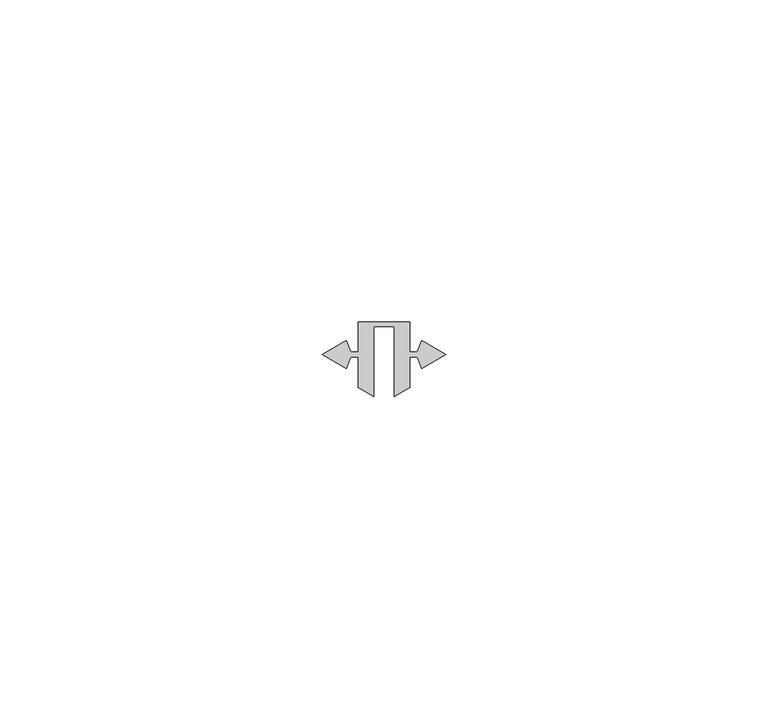
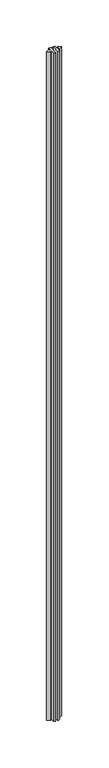
"""IFC4 building model written with IfcOpenShell, lengths in millimetres: proxy geometry."""

import ifcopenshell
import ifcopenshell.guid

model = None  # the IFC model being written
_history = None  # IfcOwnerHistory: only IFC2X3 demands one
_inside = {}  # id of a spatial element -> (the spatial element, [elements in it])
_under = {}  # id of a project, library or spatial element -> (it, [spatial elements below it])
_declared = {}  # id of a project -> (the project, [libraries it declares])
_typed = {}  # id of a type object -> (the type object, [elements of that type])
_made_of = {}  # id of a material, layer set ... -> (it, [elements and type objects made of it])


def new_model(schema):
    """Start an empty IFC model of exactly this schema.

    Asked for "IFC4X3", IfcOpenShell would pick the latest addendum, in which some entities
    have other attributes; the version numbers below select the first issue.
    IFC2X3 requires an IfcOwnerHistory on every rooted entity: one is made here for all.
    """
    global model, _history
    if schema == "IFC4X3":
        model = ifcopenshell.file(schema_version=(4, 3, 0, 0))
    else:
        model = ifcopenshell.file(schema=schema)
    _inside.clear()
    _under.clear()
    _declared.clear()
    _typed.clear()
    _made_of.clear()
    _history = None
    if model.schema == "IFC2X3":
        org = make("IfcOrganization", Name="unknown")
        user = make(
            "IfcPersonAndOrganization",
            ThePerson=make("IfcPerson", FamilyName="unknown"),
            TheOrganization=org,
        )
        app = make(
            "IfcApplication",
            ApplicationDeveloper=org,
            Version="unknown",
            ApplicationFullName="unknown",
            ApplicationIdentifier="unknown",
        )
        _history = make(
            "IfcOwnerHistory",
            OwningUser=user,
            OwningApplication=app,
            ChangeAction="ADDED",
            CreationDate=0,
        )
    return model


def make(cls, **values):
    """One entity of the class cls with the attributes given. An attribute that is None is left unset."""
    return model.create_entity(
        cls, **{name: value for name, value in values.items() if value is not None}
    )


def rooted(cls, **values):
    """An entity with a GlobalId (a new one), such as an element, a storey or a relation."""
    return make(cls, GlobalId=ifcopenshell.guid.new(), OwnerHistory=_history, **values)


def si_unit(unit_type, name, prefix=None):
    """IfcSIUnit, for example si_unit("LENGTHUNIT", "METRE", prefix="MILLI")."""
    return make("IfcSIUnit", UnitType=unit_type, Prefix=prefix, Name=name)


def assignment(units):
    """IfcUnitAssignment: the units of a project."""
    return None if units is None else make("IfcUnitAssignment", Units=units)


def point(xyz):
    """IfcCartesianPoint."""
    return None if xyz is None else make("IfcCartesianPoint", Coordinates=xyz)


def direction(xyz):
    """IfcDirection."""
    return None if xyz is None else make("IfcDirection", DirectionRatios=xyz)


def frame(location, z_axis=None, x_axis=None):
    """IfcAxis2Placement3D, a coordinate frame: its origin and axes. An axis left out is left unset."""
    return make(
        "IfcAxis2Placement3D",
        Location=point(location),
        Axis=direction(z_axis),
        RefDirection=direction(x_axis),
    )


def origin():
    """The frame at (0, 0, 0) with its axes left unset."""
    return frame((0.0, 0.0, 0.0))


def place(relative_to, where):
    """IfcLocalPlacement: puts the frame where relative to a parent placement (None: the world)."""
    return make(
        "IfcLocalPlacement", PlacementRelTo=relative_to, RelativePlacement=where
    )


def context(
    kind, dimensions, precision=None, world=None, true_north=None, identifier=None
):
    """IfcGeometricRepresentationContext, for example the 3D "Model" context."""
    return make(
        "IfcGeometricRepresentationContext",
        ContextIdentifier=identifier,
        ContextType=kind,
        CoordinateSpaceDimension=dimensions,
        Precision=precision,
        WorldCoordinateSystem=world,
        TrueNorth=true_north,
    )


def project(units=None, contexts=None):
    """IfcProject with its units and contexts."""
    return rooted(
        "IfcProject",
        Name="project",
        RepresentationContexts=contexts,
        UnitsInContext=assignment(units),
    )


def spatial(cls, under=None, at=None, **own):
    """A site, building, storey or space (cls), placed at a placement, below another one or the project."""
    s = rooted(cls, ObjectPlacement=at, **own)
    if under is not None:
        _under.setdefault(under.id(), (under, []))[1].append(s)
    return s


def polyline(points):
    """IfcPolyline through the points."""
    return make("IfcPolyline", Points=[point(p) for p in points])


def outline(outer, holes=None, kind="AREA"):
    """IfcArbitraryClosedProfileDef: a profile drawn as a closed curve; with holes, ...WithVoids."""
    if holes is None:
        return make("IfcArbitraryClosedProfileDef", ProfileType=kind, OuterCurve=outer)
    return make(
        "IfcArbitraryProfileDefWithVoids",
        ProfileType=kind,
        OuterCurve=outer,
        InnerCurves=holes,
    )


def extrude(swept, where, along, depth):
    """IfcExtrudedAreaSolid: the profile swept, set in the frame where, extruded along a direction by depth."""
    return make(
        "IfcExtrudedAreaSolid",
        SweptArea=swept,
        Position=where,
        ExtrudedDirection=direction(along),
        Depth=depth,
    )


def shape(context_of_items, identifier, shape_type, items):
    """IfcShapeRepresentation: the items that make up one representation, for example the "Body"."""
    return make(
        "IfcShapeRepresentation",
        ContextOfItems=context_of_items,
        RepresentationIdentifier=identifier,
        RepresentationType=shape_type,
        Items=items,
    )


def source(mapping_origin, context_of_items, identifier, shape_type, items):
    """IfcRepresentationMap: a shape defined once, which mapped items show again and again."""
    return make(
        "IfcRepresentationMap",
        MappingOrigin=mapping_origin,
        MappedRepresentation=shape(context_of_items, identifier, shape_type, items),
    )


def transform(
    local_origin,
    x_axis=None,
    y_axis=None,
    z_axis=None,
    scale=None,
    scale2=None,
    scale3=None,
    uniform=True,
):
    """IfcCartesianTransformationOperator3D, or its non-uniform kind. x_axis, y_axis, z_axis: its Axis1, 2, 3."""
    if uniform:
        return make(
            "IfcCartesianTransformationOperator3D",
            Axis1=direction(x_axis),
            Axis2=direction(y_axis),
            LocalOrigin=point(local_origin),
            Scale=scale,
            Axis3=direction(z_axis),
        )
    return make(
        "IfcCartesianTransformationOperator3DnonUniform",
        Axis1=direction(x_axis),
        Axis2=direction(y_axis),
        LocalOrigin=point(local_origin),
        Scale=scale,
        Axis3=direction(z_axis),
        Scale2=scale2,
        Scale3=scale3,
    )


def mapped(mapping_source, mapping_target):
    """IfcMappedItem: shows the shape of a source again, moved by a transform."""
    return make(
        "IfcMappedItem", MappingSource=mapping_source, MappingTarget=mapping_target
    )


def made_of(thing, what):
    """Note that an element or type object is made of a material, layer set ...; save() writes the relation."""
    if what is not None:
        _made_of.setdefault(what.id(), (what, []))[1].append(thing)
    return thing


def element(
    cls,
    number,
    at=None,
    inside=None,
    cuts=None,
    type_object=None,
    material=None,
    context=None,
    identifier="Body",
    shape_type=None,
    held_by="IfcProductDefinitionShape",
    body=None,
    shapes=None,
    **own,
):
    """One element of the class cls, such as IfcWall. Its Tag is "e" and its number.

    at: its placement. inside: the storey or other place that contains it. cuts: it is an
    opening in that element (IfcRelVoidsElement). A single representation is given by context,
    identifier, shape_type and body (its items); several are given by shapes. held_by: the class
    of the entity that holds the representations. save() writes the other relations.
    """
    e = rooted(cls, Tag="e%d" % number, ObjectPlacement=at, **own)
    if body is not None:
        shapes = [shape(context, identifier, shape_type, body)]
    if shapes is not None:
        e.Representation = make(held_by, Representations=shapes)
    if inside is not None:
        _inside.setdefault(inside.id(), (inside, []))[1].append(e)
    if cuts is not None:
        rooted(
            "IfcRelVoidsElement", RelatingBuildingElement=cuts, RelatedOpeningElement=e
        )
    if type_object is not None:
        _typed.setdefault(type_object.id(), (type_object, []))[1].append(e)
    return made_of(e, material)


def aggregate(whole, parts):
    """IfcRelAggregates: a whole, such as a stair, and the parts it consists of."""
    return rooted("IfcRelAggregates", RelatingObject=whole, RelatedObjects=parts)


def save(model, path):
    """Write the relations noted so far, then the file.

    IfcRelAggregates (storeys below a building ...), IfcRelContainedInSpatialStructure (elements
    in a storey), IfcRelDefinesByType, IfcRelAssociatesMaterial and IfcRelDeclares: one each for
    every whole, place, type object, material and project.
    """
    for whole, parts in _under.values():
        aggregate(whole, parts)
    for where, things in _inside.values():
        rooted(
            "IfcRelContainedInSpatialStructure",
            RelatedElements=things,
            RelatingStructure=where,
        )
    for kind, things in _typed.values():
        rooted("IfcRelDefinesByType", RelatedObjects=things, RelatingType=kind)
    for what, things in _made_of.values():
        rooted("IfcRelAssociatesMaterial", RelatedObjects=things, RelatingMaterial=what)
    for by, libraries in _declared.values():
        rooted("IfcRelDeclares", RelatingContext=by, RelatedDefinitions=libraries)
    model.write(path)


def generic_models_e98399c7(model_context):
    return source(origin(), model_context, "Body", "SweptSolid", [
        extrude(outline(polyline([(37067.9356084, -24154.9347357), (37067.9356084, -24165.8308849), (37065.5607084, -24164.4597357), (37065.5607084, -24159.7090403), (37064.4026703, -24159.7090403), (37063.663773, -24161.4581283), (37059.9468555, -24159.3121649), (37063.6637728, -24157.1662017), (37064.4026703, -24158.9152903), (37065.5607084, -24158.9152903), (37065.5607084, -24154.2743357), (37073.4855084, -24154.2743357), (37073.4855084, -24158.9152903), (37074.6435466, -24158.9152903), (37075.3824443, -24157.1662011), (37079.0993626, -24159.3121649), (37075.3824441, -24161.4581289), (37074.6435466, -24159.7090403), (37073.4855084, -24159.7090403), (37073.4855084, -24164.4597357), (37071.1106084, -24165.8308849), (37071.1106084, -24154.9347357), (37067.9356084, -24154.9347357)])), frame((0.0, 0.0, 1524.0), z_axis=(0.0, 0.0, 1.0), x_axis=(1.0, 0.0, 0.0)), (0.0, 0.0, 1.0), 914.4),
    ])


if __name__ == "__main__":
    model = new_model("IFC4")
    model_context = context("Model", 3, world=origin())
    ifc_project = project(units=[si_unit("LENGTHUNIT", "METRE", prefix="MILLI")], contexts=[model_context])
    site = spatial("IfcSite", under=ifc_project)
    building = spatial("IfcBuilding", under=site)
    placement = place(None, origin())
    generic_models_shape = generic_models_e98399c7(model_context)
    element("IfcBuildingElementProxy", 1, Name="Generic Models", at=placement, inside=building, context=model_context, shape_type="MappedRepresentation", body=[
        mapped(generic_models_shape, transform((0.0, 0.0, 0.0), x_axis=(1.0, 0.0, 0.0), y_axis=(0.0, 1.0, 0.0), z_axis=(0.0, 0.0, 1.0))),
    ])
    save(model, "model.ifc")
